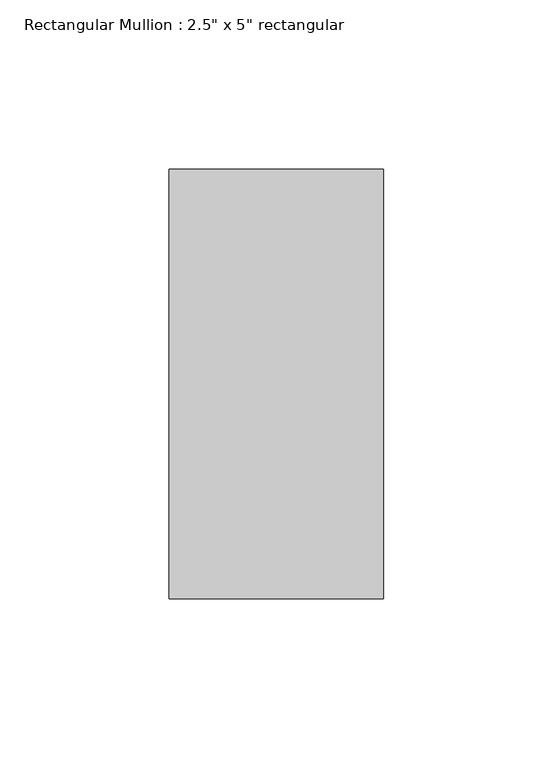
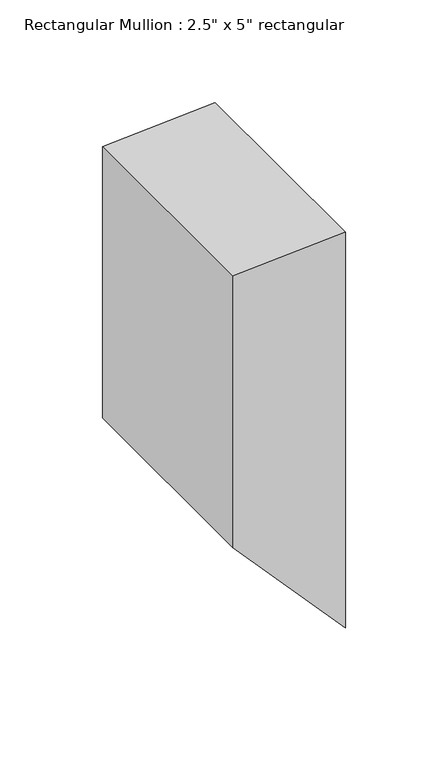
"""IFC4 building model written with IfcOpenShell, lengths in millimetres: member geometry."""

from ifc_helpers import new_model, si_unit, frame, origin, place, context, project, spatial, polyline, outline, extrude, source, transform, mapped, element, save


def member_f3026c39(model_context):
    return source(origin(), model_context, "Body", "SweptSolid", [
        extrude(outline(polyline([(0.0, 0.0), (-4.0243376, -63.5), (-165.4227279, -63.5), (-235.5480539, 0.0), (0.0, 0.0)])), frame((0.0, -63.5, 0.0), z_axis=(0.0, 1.0, 0.0), x_axis=(0.0, 0.0, 1.0)), (0.0, 0.0, 1.0), 127.0),
    ])


if __name__ == "__main__":
    model = new_model("IFC4")
    model_context = context("Model", 3, world=origin())
    ifc_project = project(units=[si_unit("LENGTHUNIT", "METRE", prefix="MILLI")], contexts=[model_context])
    site = spatial("IfcSite", under=ifc_project)
    building = spatial("IfcBuilding", under=site)
    placement = place(None, origin())
    member_shape = member_f3026c39(model_context)
    element("IfcMember", 1, ObjectType="Rectangular Mullion : 2.5\" x 5\" rectangular", at=placement, inside=building, context=model_context, shape_type="MappedRepresentation", body=[
        mapped(member_shape, transform((0.0, 0.0, 0.0), x_axis=(1.0, 0.0, 0.0), y_axis=(0.0, 1.0, 0.0), z_axis=(0.0, 0.0, 1.0))),
    ])
    save(model, "model.ifc")
